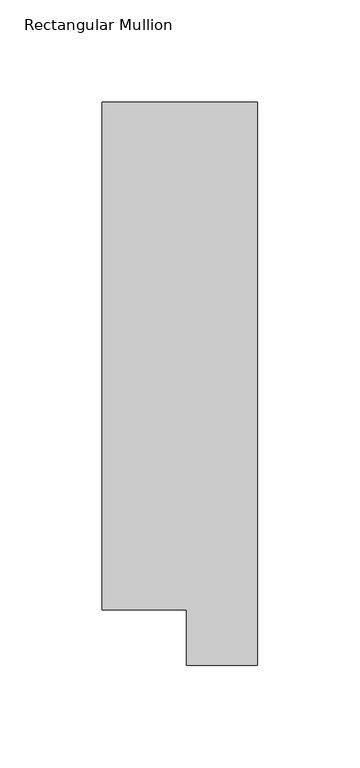
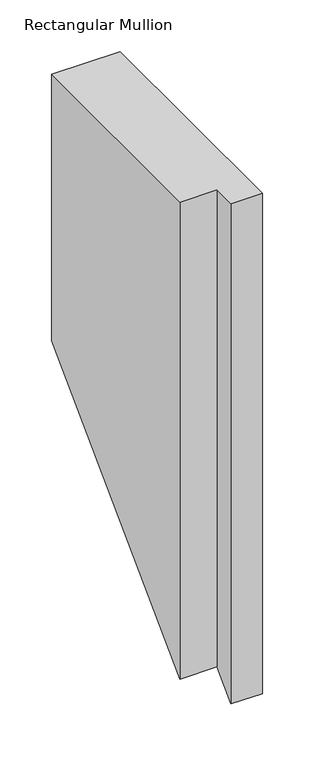
"""IFC4 building model written with IfcOpenShell, lengths in millimetres: member geometry, Rectangular Mullion."""

from ifc_helpers import new_model, si_unit, origin, place, context, project, spatial, faceted_brep, source, transform, mapped, element, save


def rectangular_mullion_8cde32fa(model_context):
    return source(origin(), model_context, "Body", "Brep", [
        faceted_brep([(0.0, 295.1821312, 0.0), (-76.2, 295.1821312, 0.0), (-76.2, 46.7447302, 0.0), (-34.9123, 46.7447302, 0.0), (-34.9123, 19.5667313, 0.0), (0.0, 19.5667313, 0.0), (0.0, 295.1821312, -314.4178687), (-76.2, 295.1821312, -314.4178687), (-76.2, 46.7447302, -562.8552698), (-34.9123, 46.7447302, -562.8552698), (-34.9123, 19.5667313, -590.0332687), (0.0, 19.5667313, -590.0332687)], [[[0, 1, 2, 3, 4, 5]], [[1, 0, 6, 7]], [[2, 1, 7, 8]], [[3, 2, 8, 9]], [[4, 3, 9, 10]], [[5, 4, 10, 11]], [[0, 5, 11, 6]], [[6, 11, 10, 9, 8, 7]]]),
    ])


if __name__ == "__main__":
    model = new_model("IFC4")
    model_context = context("Model", 3, world=origin())
    ifc_project = project(units=[si_unit("LENGTHUNIT", "METRE", prefix="MILLI")], contexts=[model_context])
    site = spatial("IfcSite", under=ifc_project)
    building = spatial("IfcBuilding", under=site)
    placement = place(None, origin())
    rectangular_mullion_shape = rectangular_mullion_8cde32fa(model_context)
    element("IfcMember", 1, ObjectType="Rectangular Mullion", at=placement, inside=building, context=model_context, shape_type="MappedRepresentation", body=[
        mapped(rectangular_mullion_shape, transform((0.0, 0.0, 0.0), x_axis=(1.0, 0.0, 0.0), y_axis=(0.0, 1.0, 0.0), z_axis=(0.0, 0.0, 1.0))),
    ])
    save(model, "model.ifc")
